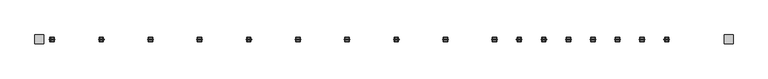
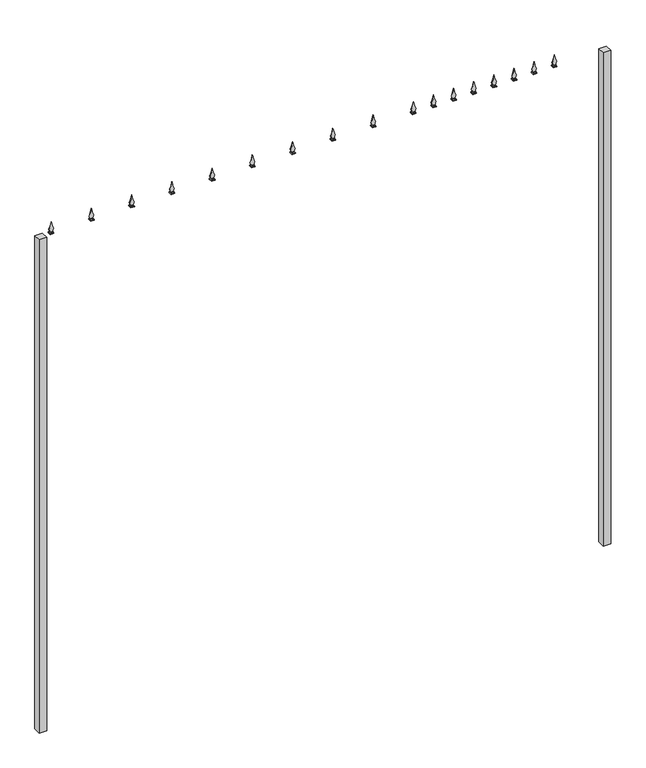
"""IFC4 building model written with IfcOpenShell, lengths in millimetres: geographic element geometry."""

from ifc_helpers import new_model, si_unit, point, frame, frame_2d, origin, place, context, project, spatial, polyline, circle_curve, trimmed, segment, composite_curve, outline, extrude, faceted_brep, source, transform, mapped, element, save


def geographic_element_2ec49022(model_context):
    return source(origin(), model_context, "Body", "SolidModel", [
        extrude(outline(composite_curve([segment(trimmed(circle_curve(frame_2d((3524.9252719, 1854.1996109)), 87.884948), [point((3560.0, 1934.7820378))], [point((3540.0, 1940.7820378))], True, "CARTESIAN"), True, "CONTINUOUS"), segment(polyline([(3540.0, 1940.7820378), (3540.0, 1958.7820378)]), True, "CONTINUOUS"), segment(trimmed(circle_curve(frame_2d((3524.9252719, 2045.3644648)), 87.884948), [point((3540.0, 1958.7820378))], [point((3560.0, 1964.7820378))], True, "CARTESIAN"), True, "CONTINUOUS"), segment(trimmed(circle_curve(frame_2d((3634.2044665, 2121.2969263)), 173.2143562), [point((3560.0, 1964.7820378))], [point((3610.0, 1949.7820378))], True, "CARTESIAN"), True, "CONTINUOUS"), segment(trimmed(circle_curve(frame_2d((3634.2044665, 1778.2671493)), 173.2143562), [point((3610.0, 1949.7820378))], [point((3560.0, 1934.7820378))], True, "CARTESIAN"), True, "CONTINUOUS")], self_intersect=False)), frame((0.0, -1.5, 0.0), z_axis=(0.0, 1.0, 0.0), x_axis=(0.0, 0.0, 1.0)), (0.0, 0.0, 1.0), 3.0),
        faceted_brep([(1940.7820378, 9.0, 3540.0), (1940.7820378, -9.0, 3540.0), (1958.7820378, -9.0, 3540.0), (1958.7820378, 9.0, 3540.0), (1937.7820378, 12.0, 3535.0), (1961.7820378, 12.0, 3535.0), (1961.7820378, -12.0, 3535.0), (1937.7820378, -12.0, 3535.0)], [[[0, 1, 2, 3]], [[4, 5, 6, 7]], [[4, 7, 1, 0]], [[7, 6, 2, 1]], [[6, 5, 3, 2]], [[5, 4, 0, 3]]]),
        extrude(outline(polyline([(1961.7820378, 12.0), (1961.7820378, -12.0), (1937.7820378, -12.0), (1937.7820378, 12.0), (1961.7820378, 12.0)])), frame((0.0, 0.0, 3530.0), z_axis=(0.0, 0.0, 1.0), x_axis=(1.0, 0.0, 0.0)), (0.0, 0.0, 1.0), 5.0),
        extrude(outline(composite_curve([segment(trimmed(circle_curve(frame_2d((3524.9252719, 1718.6440554)), 87.884948), [point((3560.0, 1799.2264823))], [point((3540.0, 1805.2264823))], True, "CARTESIAN"), True, "CONTINUOUS"), segment(polyline([(3540.0, 1805.2264823), (3540.0, 1823.2264823)]), True, "CONTINUOUS"), segment(trimmed(circle_curve(frame_2d((3524.9252719, 1909.8089092)), 87.884948), [point((3540.0, 1823.2264823))], [point((3560.0, 1829.2264823))], True, "CARTESIAN"), True, "CONTINUOUS"), segment(trimmed(circle_curve(frame_2d((3634.2044665, 1985.7413708)), 173.2143562), [point((3560.0, 1829.2264823))], [point((3610.0, 1814.2264823))], True, "CARTESIAN"), True, "CONTINUOUS"), segment(trimmed(circle_curve(frame_2d((3634.2044665, 1642.7115938)), 173.2143562), [point((3610.0, 1814.2264823))], [point((3560.0, 1799.2264823))], True, "CARTESIAN"), True, "CONTINUOUS")], self_intersect=False)), frame((0.0, -1.5, 0.0), z_axis=(0.0, 1.0, 0.0), x_axis=(0.0, 0.0, 1.0)), (0.0, 0.0, 1.0), 3.0),
        faceted_brep([(1805.2264823, 9.0, 3540.0), (1805.2264823, -9.0, 3540.0), (1823.2264823, -9.0, 3540.0), (1823.2264823, 9.0, 3540.0), (1802.2264823, 12.0, 3535.0), (1826.2264823, 12.0, 3535.0), (1826.2264823, -12.0, 3535.0), (1802.2264823, -12.0, 3535.0)], [[[0, 1, 2, 3]], [[4, 5, 6, 7]], [[4, 7, 1, 0]], [[7, 6, 2, 1]], [[6, 5, 3, 2]], [[5, 4, 0, 3]]]),
        extrude(outline(polyline([(1826.2264823, 12.0), (1826.2264823, -12.0), (1802.2264823, -12.0), (1802.2264823, 12.0), (1826.2264823, 12.0)])), frame((0.0, 0.0, 3530.0), z_axis=(0.0, 0.0, 1.0), x_axis=(1.0, 0.0, 0.0)), (0.0, 0.0, 1.0), 5.0),
        extrude(outline(composite_curve([segment(trimmed(circle_curve(frame_2d((3524.9252719, 1583.0884998)), 87.884948), [point((3560.0, 1663.6709267))], [point((3540.0, 1669.6709267))], True, "CARTESIAN"), True, "CONTINUOUS"), segment(polyline([(3540.0, 1669.6709267), (3540.0, 1687.6709267)]), True, "CONTINUOUS"), segment(trimmed(circle_curve(frame_2d((3524.9252719, 1774.2533536)), 87.884948), [point((3540.0, 1687.6709267))], [point((3560.0, 1693.6709267))], True, "CARTESIAN"), True, "CONTINUOUS"), segment(trimmed(circle_curve(frame_2d((3634.2044665, 1850.1858152)), 173.2143562), [point((3560.0, 1693.6709267))], [point((3610.0, 1678.6709267))], True, "CARTESIAN"), True, "CONTINUOUS"), segment(trimmed(circle_curve(frame_2d((3634.2044665, 1507.1560382)), 173.2143562), [point((3610.0, 1678.6709267))], [point((3560.0, 1663.6709267))], True, "CARTESIAN"), True, "CONTINUOUS")], self_intersect=False)), frame((0.0, -1.5, 0.0), z_axis=(0.0, 1.0, 0.0), x_axis=(0.0, 0.0, 1.0)), (0.0, 0.0, 1.0), 3.0),
        faceted_brep([(1669.6709267, 9.0, 3540.0), (1669.6709267, -9.0, 3540.0), (1687.6709267, -9.0, 3540.0), (1687.6709267, 9.0, 3540.0), (1666.6709267, 12.0, 3535.0), (1690.6709267, 12.0, 3535.0), (1690.6709267, -12.0, 3535.0), (1666.6709267, -12.0, 3535.0)], [[[0, 1, 2, 3]], [[4, 5, 6, 7]], [[4, 7, 1, 0]], [[7, 6, 2, 1]], [[6, 5, 3, 2]], [[5, 4, 0, 3]]]),
        extrude(outline(polyline([(1690.6709267, 12.0), (1690.6709267, -12.0), (1666.6709267, -12.0), (1666.6709267, 12.0), (1690.6709267, 12.0)])), frame((0.0, 0.0, 3530.0), z_axis=(0.0, 0.0, 1.0), x_axis=(1.0, 0.0, 0.0)), (0.0, 0.0, 1.0), 5.0),
        extrude(outline(composite_curve([segment(trimmed(circle_curve(frame_2d((3524.9252719, 1447.5329442)), 87.884948), [point((3560.0, 1528.1153712))], [point((3540.0, 1534.1153712))], True, "CARTESIAN"), True, "CONTINUOUS"), segment(polyline([(3540.0, 1534.1153712), (3540.0, 1552.1153712)]), True, "CONTINUOUS"), segment(trimmed(circle_curve(frame_2d((3524.9252719, 1638.6977981)), 87.884948), [point((3540.0, 1552.1153712))], [point((3560.0, 1558.1153712))], True, "CARTESIAN"), True, "CONTINUOUS"), segment(trimmed(circle_curve(frame_2d((3634.2044665, 1714.6302597)), 173.2143562), [point((3560.0, 1558.1153712))], [point((3610.0, 1543.1153712))], True, "CARTESIAN"), True, "CONTINUOUS"), segment(trimmed(circle_curve(frame_2d((3634.2044665, 1371.6004827)), 173.2143562), [point((3610.0, 1543.1153712))], [point((3560.0, 1528.1153712))], True, "CARTESIAN"), True, "CONTINUOUS")], self_intersect=False)), frame((0.0, -1.5, 0.0), z_axis=(0.0, 1.0, 0.0), x_axis=(0.0, 0.0, 1.0)), (0.0, 0.0, 1.0), 3.0),
        faceted_brep([(1534.1153712, 9.0, 3540.0), (1534.1153712, -9.0, 3540.0), (1552.1153712, -9.0, 3540.0), (1552.1153712, 9.0, 3540.0), (1531.1153712, 12.0, 3535.0), (1555.1153712, 12.0, 3535.0), (1555.1153712, -12.0, 3535.0), (1531.1153712, -12.0, 3535.0)], [[[0, 1, 2, 3]], [[4, 5, 6, 7]], [[4, 7, 1, 0]], [[7, 6, 2, 1]], [[6, 5, 3, 2]], [[5, 4, 0, 3]]]),
        extrude(outline(polyline([(1555.1153712, 12.0), (1555.1153712, -12.0), (1531.1153712, -12.0), (1531.1153712, 12.0), (1555.1153712, 12.0)])), frame((0.0, 0.0, 3530.0), z_axis=(0.0, 0.0, 1.0), x_axis=(1.0, 0.0, 0.0)), (0.0, 0.0, 1.0), 5.0),
        extrude(outline(composite_curve([segment(trimmed(circle_curve(frame_2d((3524.9252719, 1311.9773887)), 87.884948), [point((3560.0, 1392.5598156))], [point((3540.0, 1398.5598156))], True, "CARTESIAN"), True, "CONTINUOUS"), segment(polyline([(3540.0, 1398.5598156), (3540.0, 1416.5598156)]), True, "CONTINUOUS"), segment(trimmed(circle_curve(frame_2d((3524.9252719, 1503.1422425)), 87.884948), [point((3540.0, 1416.5598156))], [point((3560.0, 1422.5598156))], True, "CARTESIAN"), True, "CONTINUOUS"), segment(trimmed(circle_curve(frame_2d((3634.2044665, 1579.0747041)), 173.2143562), [point((3560.0, 1422.5598156))], [point((3610.0, 1407.5598156))], True, "CARTESIAN"), True, "CONTINUOUS"), segment(trimmed(circle_curve(frame_2d((3634.2044665, 1236.0449271)), 173.2143562), [point((3610.0, 1407.5598156))], [point((3560.0, 1392.5598156))], True, "CARTESIAN"), True, "CONTINUOUS")], self_intersect=False)), frame((0.0, -1.5, 0.0), z_axis=(0.0, 1.0, 0.0), x_axis=(0.0, 0.0, 1.0)), (0.0, 0.0, 1.0), 3.0),
        faceted_brep([(1398.5598156, 9.0, 3540.0), (1398.5598156, -9.0, 3540.0), (1416.5598156, -9.0, 3540.0), (1416.5598156, 9.0, 3540.0), (1395.5598156, 12.0, 3535.0), (1419.5598156, 12.0, 3535.0), (1419.5598156, -12.0, 3535.0), (1395.5598156, -12.0, 3535.0)], [[[0, 1, 2, 3]], [[4, 5, 6, 7]], [[4, 7, 1, 0]], [[7, 6, 2, 1]], [[6, 5, 3, 2]], [[5, 4, 0, 3]]]),
        extrude(outline(polyline([(1419.5598156, 12.0), (1419.5598156, -12.0), (1395.5598156, -12.0), (1395.5598156, 12.0), (1419.5598156, 12.0)])), frame((0.0, 0.0, 3530.0), z_axis=(0.0, 0.0, 1.0), x_axis=(1.0, 0.0, 0.0)), (0.0, 0.0, 1.0), 5.0),
        extrude(outline(composite_curve([segment(trimmed(circle_curve(frame_2d((3524.9252719, 1176.4218331)), 87.884948), [point((3560.0, 1257.00426))], [point((3540.0, 1263.00426))], True, "CARTESIAN"), True, "CONTINUOUS"), segment(polyline([(3540.0, 1263.00426), (3540.0, 1281.00426)]), True, "CONTINUOUS"), segment(trimmed(circle_curve(frame_2d((3524.9252719, 1367.586687)), 87.884948), [point((3540.0, 1281.00426))], [point((3560.0, 1287.00426))], True, "CARTESIAN"), True, "CONTINUOUS"), segment(trimmed(circle_curve(frame_2d((3634.2044665, 1443.5191485)), 173.2143562), [point((3560.0, 1287.00426))], [point((3610.0, 1272.00426))], True, "CARTESIAN"), True, "CONTINUOUS"), segment(trimmed(circle_curve(frame_2d((3634.2044665, 1100.4893716)), 173.2143562), [point((3610.0, 1272.00426))], [point((3560.0, 1257.00426))], True, "CARTESIAN"), True, "CONTINUOUS")], self_intersect=False)), frame((0.0, -1.5, 0.0), z_axis=(0.0, 1.0, 0.0), x_axis=(0.0, 0.0, 1.0)), (0.0, 0.0, 1.0), 3.0),
        faceted_brep([(1263.00426, 9.0, 3540.0), (1263.00426, -9.0, 3540.0), (1281.00426, -9.0, 3540.0), (1281.00426, 9.0, 3540.0), (1260.00426, 12.0, 3535.0), (1284.00426, 12.0, 3535.0), (1284.00426, -12.0, 3535.0), (1260.00426, -12.0, 3535.0)], [[[0, 1, 2, 3]], [[4, 5, 6, 7]], [[4, 7, 1, 0]], [[7, 6, 2, 1]], [[6, 5, 3, 2]], [[5, 4, 0, 3]]]),
        extrude(outline(polyline([(1284.00426, 12.0), (1284.00426, -12.0), (1260.00426, -12.0), (1260.00426, 12.0), (1284.00426, 12.0)])), frame((0.0, 0.0, 3530.0), z_axis=(0.0, 0.0, 1.0), x_axis=(1.0, 0.0, 0.0)), (0.0, 0.0, 1.0), 5.0),
        extrude(outline(composite_curve([segment(trimmed(circle_curve(frame_2d((3524.9252719, 1040.8662776)), 87.884948), [point((3560.0, 1121.4487045))], [point((3540.0, 1127.4487045))], True, "CARTESIAN"), True, "CONTINUOUS"), segment(polyline([(3540.0, 1127.4487045), (3540.0, 1145.4487045)]), True, "CONTINUOUS"), segment(trimmed(circle_curve(frame_2d((3524.9252719, 1232.0311314)), 87.884948), [point((3540.0, 1145.4487045))], [point((3560.0, 1151.4487045))], True, "CARTESIAN"), True, "CONTINUOUS"), segment(trimmed(circle_curve(frame_2d((3634.2044665, 1307.963593)), 173.2143562), [point((3560.0, 1151.4487045))], [point((3610.0, 1136.4487045))], True, "CARTESIAN"), True, "CONTINUOUS"), segment(trimmed(circle_curve(frame_2d((3634.2044665, 964.933816)), 173.2143562), [point((3610.0, 1136.4487045))], [point((3560.0, 1121.4487045))], True, "CARTESIAN"), True, "CONTINUOUS")], self_intersect=False)), frame((0.0, -1.5, 0.0), z_axis=(0.0, 1.0, 0.0), x_axis=(0.0, 0.0, 1.0)), (0.0, 0.0, 1.0), 3.0),
        faceted_brep([(1127.4487045, 9.0, 3540.0), (1127.4487045, -9.0, 3540.0), (1145.4487045, -9.0, 3540.0), (1145.4487045, 9.0, 3540.0), (1124.4487045, 12.0, 3535.0), (1148.4487045, 12.0, 3535.0), (1148.4487045, -12.0, 3535.0), (1124.4487045, -12.0, 3535.0)], [[[0, 1, 2, 3]], [[4, 5, 6, 7]], [[4, 7, 1, 0]], [[7, 6, 2, 1]], [[6, 5, 3, 2]], [[5, 4, 0, 3]]]),
        extrude(outline(polyline([(1148.4487045, 12.0), (1148.4487045, -12.0), (1124.4487045, -12.0), (1124.4487045, 12.0), (1148.4487045, 12.0)])), frame((0.0, 0.0, 3530.0), z_axis=(0.0, 0.0, 1.0), x_axis=(1.0, 0.0, 0.0)), (0.0, 0.0, 1.0), 5.0),
        extrude(outline(composite_curve([segment(trimmed(circle_curve(frame_2d((3524.9252719, 905.310722)), 87.884948), [point((3560.0, 985.8931489))], [point((3540.0, 991.8931489))], True, "CARTESIAN"), True, "CONTINUOUS"), segment(polyline([(3540.0, 991.8931489), (3540.0, 1009.8931489)]), True, "CONTINUOUS"), segment(trimmed(circle_curve(frame_2d((3524.9252719, 1096.4755759)), 87.884948), [point((3540.0, 1009.8931489))], [point((3560.0, 1015.8931489))], True, "CARTESIAN"), True, "CONTINUOUS"), segment(trimmed(circle_curve(frame_2d((3634.2044665, 1172.4080374)), 173.2143562), [point((3560.0, 1015.8931489))], [point((3610.0, 1000.8931489))], True, "CARTESIAN"), True, "CONTINUOUS"), segment(trimmed(circle_curve(frame_2d((3634.2044665, 829.3782604)), 173.2143562), [point((3610.0, 1000.8931489))], [point((3560.0, 985.8931489))], True, "CARTESIAN"), True, "CONTINUOUS")], self_intersect=False)), frame((0.0, -1.5, 0.0), z_axis=(0.0, 1.0, 0.0), x_axis=(0.0, 0.0, 1.0)), (0.0, 0.0, 1.0), 3.0),
        faceted_brep([(991.8931489, 9.0, 3540.0), (991.8931489, -9.0, 3540.0), (1009.8931489, -9.0, 3540.0), (1009.8931489, 9.0, 3540.0), (988.8931489, 12.0, 3535.0), (1012.8931489, 12.0, 3535.0), (1012.8931489, -12.0, 3535.0), (988.8931489, -12.0, 3535.0)], [[[0, 1, 2, 3]], [[4, 5, 6, 7]], [[4, 7, 1, 0]], [[7, 6, 2, 1]], [[6, 5, 3, 2]], [[5, 4, 0, 3]]]),
        extrude(outline(polyline([(1012.8931489, 12.0), (1012.8931489, -12.0), (988.8931489, -12.0), (988.8931489, 12.0), (1012.8931489, 12.0)])), frame((0.0, 0.0, 3530.0), z_axis=(0.0, 0.0, 1.0), x_axis=(1.0, 0.0, 0.0)), (0.0, 0.0, 1.0), 5.0),
        extrude(outline(composite_curve([segment(trimmed(circle_curve(frame_2d((3524.9252719, 634.1996109)), 87.884948), [point((3560.0, 714.7820378))], [point((3540.0, 720.7820378))], True, "CARTESIAN"), True, "CONTINUOUS"), segment(polyline([(3540.0, 720.7820378), (3540.0, 738.7820378)]), True, "CONTINUOUS"), segment(trimmed(circle_curve(frame_2d((3524.9252719, 825.3644648)), 87.884948), [point((3540.0, 738.7820378))], [point((3560.0, 744.7820378))], True, "CARTESIAN"), True, "CONTINUOUS"), segment(trimmed(circle_curve(frame_2d((3634.2044665, 901.2969263)), 173.2143562), [point((3560.0, 744.7820378))], [point((3610.0, 729.7820378))], True, "CARTESIAN"), True, "CONTINUOUS"), segment(trimmed(circle_curve(frame_2d((3634.2044665, 558.2671493)), 173.2143562), [point((3610.0, 729.7820378))], [point((3560.0, 714.7820378))], True, "CARTESIAN"), True, "CONTINUOUS")], self_intersect=False)), frame((0.0, -1.5, 0.0), z_axis=(0.0, 1.0, 0.0), x_axis=(0.0, 0.0, 1.0)), (0.0, 0.0, 1.0), 3.0),
        faceted_brep([(720.7820378, 9.0, 3540.0), (720.7820378, -9.0, 3540.0), (738.7820378, -9.0, 3540.0), (738.7820378, 9.0, 3540.0), (717.7820378, 12.0, 3535.0), (741.7820378, 12.0, 3535.0), (741.7820378, -12.0, 3535.0), (717.7820378, -12.0, 3535.0)], [[[0, 1, 2, 3]], [[4, 5, 6, 7]], [[4, 7, 1, 0]], [[7, 6, 2, 1]], [[6, 5, 3, 2]], [[5, 4, 0, 3]]]),
        extrude(outline(polyline([(741.7820378, 12.0), (741.7820378, -12.0), (717.7820378, -12.0), (717.7820378, 12.0), (741.7820378, 12.0)])), frame((0.0, 0.0, 3530.0), z_axis=(0.0, 0.0, 1.0), x_axis=(1.0, 0.0, 0.0)), (0.0, 0.0, 1.0), 5.0),
        extrude(outline(composite_curve([segment(trimmed(circle_curve(frame_2d((3524.9252719, 363.0884998)), 87.884948), [point((3560.0, 443.6709267))], [point((3540.0, 449.6709267))], True, "CARTESIAN"), True, "CONTINUOUS"), segment(polyline([(3540.0, 449.6709267), (3540.0, 467.6709267)]), True, "CONTINUOUS"), segment(trimmed(circle_curve(frame_2d((3524.9252719, 554.2533536)), 87.884948), [point((3540.0, 467.6709267))], [point((3560.0, 473.6709267))], True, "CARTESIAN"), True, "CONTINUOUS"), segment(trimmed(circle_curve(frame_2d((3634.2044665, 630.1858152)), 173.2143562), [point((3560.0, 473.6709267))], [point((3610.0, 458.6709267))], True, "CARTESIAN"), True, "CONTINUOUS"), segment(trimmed(circle_curve(frame_2d((3634.2044665, 287.1560382)), 173.2143562), [point((3610.0, 458.6709267))], [point((3560.0, 443.6709267))], True, "CARTESIAN"), True, "CONTINUOUS")], self_intersect=False)), frame((0.0, -1.5, 0.0), z_axis=(0.0, 1.0, 0.0), x_axis=(0.0, 0.0, 1.0)), (0.0, 0.0, 1.0), 3.0),
        faceted_brep([(449.6709267, 9.0, 3540.0), (449.6709267, -9.0, 3540.0), (467.6709267, -9.0, 3540.0), (467.6709267, 9.0, 3540.0), (446.6709267, 12.0, 3535.0), (470.6709267, 12.0, 3535.0), (470.6709267, -12.0, 3535.0), (446.6709267, -12.0, 3535.0)], [[[0, 1, 2, 3]], [[4, 5, 6, 7]], [[4, 7, 1, 0]], [[7, 6, 2, 1]], [[6, 5, 3, 2]], [[5, 4, 0, 3]]]),
        extrude(outline(polyline([(470.6709267, 12.0), (470.6709267, -12.0), (446.6709267, -12.0), (446.6709267, 12.0), (470.6709267, 12.0)])), frame((0.0, 0.0, 3530.0), z_axis=(0.0, 0.0, 1.0), x_axis=(1.0, 0.0, 0.0)), (0.0, 0.0, 1.0), 5.0),
        extrude(outline(composite_curve([segment(trimmed(circle_curve(frame_2d((3524.9252719, 91.9773887)), 87.884948), [point((3560.0, 172.5598156))], [point((3540.0, 178.5598156))], True, "CARTESIAN"), True, "CONTINUOUS"), segment(polyline([(3540.0, 178.5598156), (3540.0, 196.5598156)]), True, "CONTINUOUS"), segment(trimmed(circle_curve(frame_2d((3524.9252719, 283.1422425)), 87.884948), [point((3540.0, 196.5598156))], [point((3560.0, 202.5598156))], True, "CARTESIAN"), True, "CONTINUOUS"), segment(trimmed(circle_curve(frame_2d((3634.2044665, 359.0747041)), 173.2143562), [point((3560.0, 202.5598156))], [point((3610.0, 187.5598156))], True, "CARTESIAN"), True, "CONTINUOUS"), segment(trimmed(circle_curve(frame_2d((3634.2044665, 16.0449271)), 173.2143562), [point((3610.0, 187.5598156))], [point((3560.0, 172.5598156))], True, "CARTESIAN"), True, "CONTINUOUS")], self_intersect=False)), frame((0.0, -1.5, 0.0), z_axis=(0.0, 1.0, 0.0), x_axis=(0.0, 0.0, 1.0)), (0.0, 0.0, 1.0), 3.0),
        faceted_brep([(178.5598156, 9.0, 3540.0), (178.5598156, -9.0, 3540.0), (196.5598156, -9.0, 3540.0), (196.5598156, 9.0, 3540.0), (175.5598156, 12.0, 3535.0), (199.5598156, 12.0, 3535.0), (199.5598156, -12.0, 3535.0), (175.5598156, -12.0, 3535.0)], [[[0, 1, 2, 3]], [[4, 5, 6, 7]], [[4, 7, 1, 0]], [[7, 6, 2, 1]], [[6, 5, 3, 2]], [[5, 4, 0, 3]]]),
        extrude(outline(polyline([(199.5598156, 12.0), (199.5598156, -12.0), (175.5598156, -12.0), (175.5598156, 12.0), (199.5598156, 12.0)])), frame((0.0, 0.0, 3530.0), z_axis=(0.0, 0.0, 1.0), x_axis=(1.0, 0.0, 0.0)), (0.0, 0.0, 1.0), 5.0),
        extrude(outline(composite_curve([segment(trimmed(circle_curve(frame_2d((3524.9252719, -179.1337224)), 87.884948), [point((3560.0, -98.5512955))], [point((3540.0, -92.5512955))], True, "CARTESIAN"), True, "CONTINUOUS"), segment(polyline([(3540.0, -92.5512955), (3540.0, -74.5512955)]), True, "CONTINUOUS"), segment(trimmed(circle_curve(frame_2d((3524.9252719, 12.0311314)), 87.884948), [point((3540.0, -74.5512955))], [point((3560.0, -68.5512955))], True, "CARTESIAN"), True, "CONTINUOUS"), segment(trimmed(circle_curve(frame_2d((3634.2044665, 87.963593)), 173.2143562), [point((3560.0, -68.5512955))], [point((3610.0, -83.5512955))], True, "CARTESIAN"), True, "CONTINUOUS"), segment(trimmed(circle_curve(frame_2d((3634.2044665, -255.066184)), 173.2143562), [point((3610.0, -83.5512955))], [point((3560.0, -98.5512955))], True, "CARTESIAN"), True, "CONTINUOUS")], self_intersect=False)), frame((0.0, -1.5, 0.0), z_axis=(0.0, 1.0, 0.0), x_axis=(0.0, 0.0, 1.0)), (0.0, 0.0, 1.0), 3.0),
        faceted_brep([(-92.5512955, 9.0, 3540.0), (-92.5512955, -9.0, 3540.0), (-74.5512955, -9.0, 3540.0), (-74.5512955, 9.0, 3540.0), (-95.5512955, 12.0, 3535.0), (-71.5512955, 12.0, 3535.0), (-71.5512955, -12.0, 3535.0), (-95.5512955, -12.0, 3535.0)], [[[0, 1, 2, 3]], [[4, 5, 6, 7]], [[4, 7, 1, 0]], [[7, 6, 2, 1]], [[6, 5, 3, 2]], [[5, 4, 0, 3]]]),
        extrude(outline(polyline([(-71.5512955, 12.0), (-71.5512955, -12.0), (-95.5512955, -12.0), (-95.5512955, 12.0), (-71.5512955, 12.0)])), frame((0.0, 0.0, 3530.0), z_axis=(0.0, 0.0, 1.0), x_axis=(1.0, 0.0, 0.0)), (0.0, 0.0, 1.0), 5.0),
        extrude(outline(composite_curve([segment(trimmed(circle_curve(frame_2d((3524.9252719, -450.2448335)), 87.884948), [point((3560.0, -369.6624066))], [point((3540.0, -363.6624066))], True, "CARTESIAN"), True, "CONTINUOUS"), segment(polyline([(3540.0, -363.6624066), (3540.0, -345.6624066)]), True, "CONTINUOUS"), segment(trimmed(circle_curve(frame_2d((3524.9252719, -259.0799797)), 87.884948), [point((3540.0, -345.6624066))], [point((3560.0, -339.6624066))], True, "CARTESIAN"), True, "CONTINUOUS"), segment(trimmed(circle_curve(frame_2d((3634.2044665, -183.1475181)), 173.2143562), [point((3560.0, -339.6624066))], [point((3610.0, -354.6624066))], True, "CARTESIAN"), True, "CONTINUOUS"), segment(trimmed(circle_curve(frame_2d((3634.2044665, -526.1772951)), 173.2143562), [point((3610.0, -354.6624066))], [point((3560.0, -369.6624066))], True, "CARTESIAN"), True, "CONTINUOUS")], self_intersect=False)), frame((0.0, -1.5, 0.0), z_axis=(0.0, 1.0, 0.0), x_axis=(0.0, 0.0, 1.0)), (0.0, 0.0, 1.0), 3.0),
        faceted_brep([(-363.6624066, 9.0, 3540.0), (-363.6624066, -9.0, 3540.0), (-345.6624066, -9.0, 3540.0), (-345.6624066, 9.0, 3540.0), (-366.6624066, 12.0, 3535.0), (-342.6624066, 12.0, 3535.0), (-342.6624066, -12.0, 3535.0), (-366.6624066, -12.0, 3535.0)], [[[0, 1, 2, 3]], [[4, 5, 6, 7]], [[4, 7, 1, 0]], [[7, 6, 2, 1]], [[6, 5, 3, 2]], [[5, 4, 0, 3]]]),
        extrude(outline(polyline([(-342.6624066, 12.0), (-342.6624066, -12.0), (-366.6624066, -12.0), (-366.6624066, 12.0), (-342.6624066, 12.0)])), frame((0.0, 0.0, 3530.0), z_axis=(0.0, 0.0, 1.0), x_axis=(1.0, 0.0, 0.0)), (0.0, 0.0, 1.0), 5.0),
        extrude(outline(composite_curve([segment(trimmed(circle_curve(frame_2d((3524.9252719, -721.3559446)), 87.884948), [point((3560.0, -640.7735177))], [point((3540.0, -634.7735177))], True, "CARTESIAN"), True, "CONTINUOUS"), segment(polyline([(3540.0, -634.7735177), (3540.0, -616.7735177)]), True, "CONTINUOUS"), segment(trimmed(circle_curve(frame_2d((3524.9252719, -530.1910908)), 87.884948), [point((3540.0, -616.7735177))], [point((3560.0, -610.7735177))], True, "CARTESIAN"), True, "CONTINUOUS"), segment(trimmed(circle_curve(frame_2d((3634.2044665, -454.2586292)), 173.2143562), [point((3560.0, -610.7735177))], [point((3610.0, -625.7735177))], True, "CARTESIAN"), True, "CONTINUOUS"), segment(trimmed(circle_curve(frame_2d((3634.2044665, -797.2884062)), 173.2143562), [point((3610.0, -625.7735177))], [point((3560.0, -640.7735177))], True, "CARTESIAN"), True, "CONTINUOUS")], self_intersect=False)), frame((0.0, -1.5, 0.0), z_axis=(0.0, 1.0, 0.0), x_axis=(0.0, 0.0, 1.0)), (0.0, 0.0, 1.0), 3.0),
        faceted_brep([(-634.7735177, 9.0, 3540.0), (-634.7735177, -9.0, 3540.0), (-616.7735177, -9.0, 3540.0), (-616.7735177, 9.0, 3540.0), (-637.7735177, 12.0, 3535.0), (-613.7735177, 12.0, 3535.0), (-613.7735177, -12.0, 3535.0), (-637.7735177, -12.0, 3535.0)], [[[0, 1, 2, 3]], [[4, 5, 6, 7]], [[4, 7, 1, 0]], [[7, 6, 2, 1]], [[6, 5, 3, 2]], [[5, 4, 0, 3]]]),
        extrude(outline(polyline([(-613.7735177, 12.0), (-613.7735177, -12.0), (-637.7735177, -12.0), (-637.7735177, 12.0), (-613.7735177, 12.0)])), frame((0.0, 0.0, 3530.0), z_axis=(0.0, 0.0, 1.0), x_axis=(1.0, 0.0, 0.0)), (0.0, 0.0, 1.0), 5.0),
        extrude(outline(composite_curve([segment(trimmed(circle_curve(frame_2d((3524.9252719, -992.4670558)), 87.884948), [point((3560.0, -911.8846288))], [point((3540.0, -905.8846288))], True, "CARTESIAN"), True, "CONTINUOUS"), segment(polyline([(3540.0, -905.8846288), (3540.0, -887.8846288)]), True, "CONTINUOUS"), segment(trimmed(circle_curve(frame_2d((3524.9252719, -801.3022019)), 87.884948), [point((3540.0, -887.8846288))], [point((3560.0, -881.8846288))], True, "CARTESIAN"), True, "CONTINUOUS"), segment(trimmed(circle_curve(frame_2d((3634.2044665, -725.3697403)), 173.2143562), [point((3560.0, -881.8846288))], [point((3610.0, -896.8846288))], True, "CARTESIAN"), True, "CONTINUOUS"), segment(trimmed(circle_curve(frame_2d((3634.2044665, -1068.3995173)), 173.2143562), [point((3610.0, -896.8846288))], [point((3560.0, -911.8846288))], True, "CARTESIAN"), True, "CONTINUOUS")], self_intersect=False)), frame((0.0, -1.5, 0.0), z_axis=(0.0, 1.0, 0.0), x_axis=(0.0, 0.0, 1.0)), (0.0, 0.0, 1.0), 3.0),
        faceted_brep([(-905.8846288, 9.0, 3540.0), (-905.8846288, -9.0, 3540.0), (-887.8846288, -9.0, 3540.0), (-887.8846288, 9.0, 3540.0), (-908.8846288, 12.0, 3535.0), (-884.8846288, 12.0, 3535.0), (-884.8846288, -12.0, 3535.0), (-908.8846288, -12.0, 3535.0)], [[[0, 1, 2, 3]], [[4, 5, 6, 7]], [[4, 7, 1, 0]], [[7, 6, 2, 1]], [[6, 5, 3, 2]], [[5, 4, 0, 3]]]),
        extrude(outline(polyline([(-884.8846288, 12.0), (-884.8846288, -12.0), (-908.8846288, -12.0), (-908.8846288, 12.0), (-884.8846288, 12.0)])), frame((0.0, 0.0, 3530.0), z_axis=(0.0, 0.0, 1.0), x_axis=(1.0, 0.0, 0.0)), (0.0, 0.0, 1.0), 5.0),
        extrude(outline(composite_curve([segment(trimmed(circle_curve(frame_2d((3524.9252719, -1263.5781669)), 87.884948), [point((3560.0, -1182.99574))], [point((3540.0, -1176.99574))], True, "CARTESIAN"), True, "CONTINUOUS"), segment(polyline([(3540.0, -1176.99574), (3540.0, -1158.99574)]), True, "CONTINUOUS"), segment(trimmed(circle_curve(frame_2d((3524.9252719, -1072.413313)), 87.884948), [point((3540.0, -1158.99574))], [point((3560.0, -1152.99574))], True, "CARTESIAN"), True, "CONTINUOUS"), segment(trimmed(circle_curve(frame_2d((3634.2044665, -996.4808515)), 173.2143562), [point((3560.0, -1152.99574))], [point((3610.0, -1167.99574))], True, "CARTESIAN"), True, "CONTINUOUS"), segment(trimmed(circle_curve(frame_2d((3634.2044665, -1339.5106284)), 173.2143562), [point((3610.0, -1167.99574))], [point((3560.0, -1182.99574))], True, "CARTESIAN"), True, "CONTINUOUS")], self_intersect=False)), frame((0.0, -1.5, 0.0), z_axis=(0.0, 1.0, 0.0), x_axis=(0.0, 0.0, 1.0)), (0.0, 0.0, 1.0), 3.0),
        faceted_brep([(-1176.99574, 9.0, 3540.0), (-1176.99574, -9.0, 3540.0), (-1158.99574, -9.0, 3540.0), (-1158.99574, 9.0, 3540.0), (-1179.99574, 12.0, 3535.0), (-1155.99574, 12.0, 3535.0), (-1155.99574, -12.0, 3535.0), (-1179.99574, -12.0, 3535.0)], [[[0, 1, 2, 3]], [[4, 5, 6, 7]], [[4, 7, 1, 0]], [[7, 6, 2, 1]], [[6, 5, 3, 2]], [[5, 4, 0, 3]]]),
        extrude(outline(polyline([(-1155.99574, 12.0), (-1155.99574, -12.0), (-1179.99574, -12.0), (-1179.99574, 12.0), (-1155.99574, 12.0)])), frame((0.0, 0.0, 3530.0), z_axis=(0.0, 0.0, 1.0), x_axis=(1.0, 0.0, 0.0)), (0.0, 0.0, 1.0), 5.0),
        extrude(outline(composite_curve([segment(trimmed(circle_curve(frame_2d((3524.9252719, -1534.689278)), 87.884948), [point((3560.0, -1454.1068511))], [point((3540.0, -1448.1068511))], True, "CARTESIAN"), True, "CONTINUOUS"), segment(polyline([(3540.0, -1448.1068511), (3540.0, -1430.1068511)]), True, "CONTINUOUS"), segment(trimmed(circle_curve(frame_2d((3524.9252719, -1343.5244241)), 87.884948), [point((3540.0, -1430.1068511))], [point((3560.0, -1424.1068511))], True, "CARTESIAN"), True, "CONTINUOUS"), segment(trimmed(circle_curve(frame_2d((3634.2044665, -1267.5919626)), 173.2143562), [point((3560.0, -1424.1068511))], [point((3610.0, -1439.1068511))], True, "CARTESIAN"), True, "CONTINUOUS"), segment(trimmed(circle_curve(frame_2d((3634.2044665, -1610.6217396)), 173.2143562), [point((3610.0, -1439.1068511))], [point((3560.0, -1454.1068511))], True, "CARTESIAN"), True, "CONTINUOUS")], self_intersect=False)), frame((0.0, -1.5, 0.0), z_axis=(0.0, 1.0, 0.0), x_axis=(0.0, 0.0, 1.0)), (0.0, 0.0, 1.0), 3.0),
        faceted_brep([(-1448.1068511, 9.0, 3540.0), (-1448.1068511, -9.0, 3540.0), (-1430.1068511, -9.0, 3540.0), (-1430.1068511, 9.0, 3540.0), (-1451.1068511, 12.0, 3535.0), (-1427.1068511, 12.0, 3535.0), (-1427.1068511, -12.0, 3535.0), (-1451.1068511, -12.0, 3535.0)], [[[0, 1, 2, 3]], [[4, 5, 6, 7]], [[4, 7, 1, 0]], [[7, 6, 2, 1]], [[6, 5, 3, 2]], [[5, 4, 0, 3]]]),
        extrude(outline(polyline([(-1427.1068511, 12.0), (-1427.1068511, -12.0), (-1451.1068511, -12.0), (-1451.1068511, 12.0), (-1427.1068511, 12.0)])), frame((0.0, 0.0, 3530.0), z_axis=(0.0, 0.0, 1.0), x_axis=(1.0, 0.0, 0.0)), (0.0, 0.0, 1.0), 5.0),
        extrude(outline(polyline([(-1484.1068511, -25.0), (-1534.1068511, -25.0), (-1534.1068511, 25.0), (-1484.1068511, 25.0), (-1484.1068511, -25.0)])), frame((0.0, 0.0, 20.0), z_axis=(0.0, 0.0, 1.0), x_axis=(1.0, 0.0, 0.0)), (0.0, 0.0, 1.0), 3510.0),
        extrude(outline(polyline([(2315.8931489, -25.0), (2265.8931489, -25.0), (2265.8931489, 25.0), (2315.8931489, 25.0), (2315.8931489, -25.0)])), frame((0.0, 0.0, 20.0), z_axis=(0.0, 0.0, 1.0), x_axis=(1.0, 0.0, 0.0)), (0.0, 0.0, 1.0), 3510.0),
    ])


if __name__ == "__main__":
    model = new_model("IFC4")
    model_context = context("Model", 3, world=origin())
    ifc_project = project(units=[si_unit("LENGTHUNIT", "METRE", prefix="MILLI")], contexts=[model_context])
    site = spatial("IfcSite", under=ifc_project)
    building = spatial("IfcBuilding", under=site)
    placement = place(None, origin())
    geographic_element_shape = geographic_element_2ec49022(model_context)
    element("IfcGeographicElement", 1, at=placement, inside=building, context=model_context, shape_type="MappedRepresentation", body=[
        mapped(geographic_element_shape, transform((0.0, 0.0, 0.0), x_axis=(1.0, 0.0, 0.0), y_axis=(0.0, 1.0, 0.0), z_axis=(0.0, 0.0, 1.0))),
    ])
    save(model, "model.ifc")
